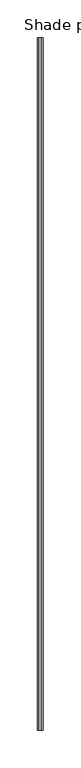
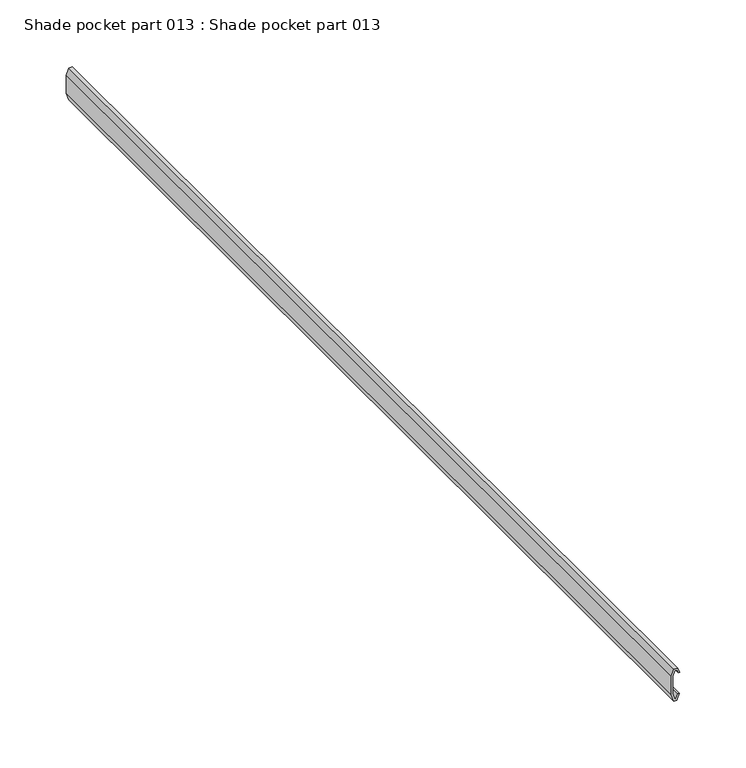
"""IFC4 building model written with IfcOpenShell, lengths in millimetres: proxy geometry, Shade pocket part 013 : Shade pocket part 013."""

from ifc_helpers import new_model, si_unit, frame, origin, place, context, project, spatial, polyline, outline, extrude, source, transform, mapped, element, save


def shade_pocket_part_013_shade_pocket_part_013_31c71fba(model_context):
    return source(origin(), model_context, "Body", "SweptSolid", [
        extrude(outline(polyline([(2979.2883419, 37520.7868164), (2979.3086006, 37522.009023), (2983.6046136, 37520.393631), (2983.6046136, 37517.0795091), (2977.9084665, 37515.0081828), (2961.0527791, 37515.0081828), (2954.4491695, 37517.0301209), (2954.4491695, 37519.5113971), (2959.8971894, 37521.8308512), (2959.8971894, 37520.5362721), (2955.836613, 37518.7367212), (2955.836613, 37517.9192377), (2961.4404136, 37516.2644206), (2977.4241482, 37516.2644206), (2982.1536767, 37517.8869597), (2982.1536767, 37519.4404541), (2979.2883419, 37520.7868164)])), frame((0.0, -19576.8262469, 0.0), z_axis=(0.0, 1.0, 0.0), x_axis=(0.0, 0.0, 1.0)), (0.0, 0.0, 1.0), 914.4),
    ])


if __name__ == "__main__":
    model = new_model("IFC4")
    model_context = context("Model", 3, world=origin())
    ifc_project = project(units=[si_unit("LENGTHUNIT", "METRE", prefix="MILLI")], contexts=[model_context])
    site = spatial("IfcSite", under=ifc_project)
    building = spatial("IfcBuilding", under=site)
    placement = place(None, origin())
    shade_pocket_part_013_shade_pocket_part_013_shape = shade_pocket_part_013_shade_pocket_part_013_31c71fba(model_context)
    element("IfcBuildingElementProxy", 1, Name="Shade pocket part 013 : Shade pocket part 013", ObjectType="Shade pocket part 013 : Shade pocket part 013", at=placement, inside=building, context=model_context, shape_type="MappedRepresentation", body=[
        mapped(shade_pocket_part_013_shade_pocket_part_013_shape, transform((0.0, 0.0, 0.0), x_axis=(1.0, 0.0, 0.0), y_axis=(0.0, 1.0, 0.0), z_axis=(0.0, 0.0, 1.0))),
    ])
    save(model, "model.ifc")
